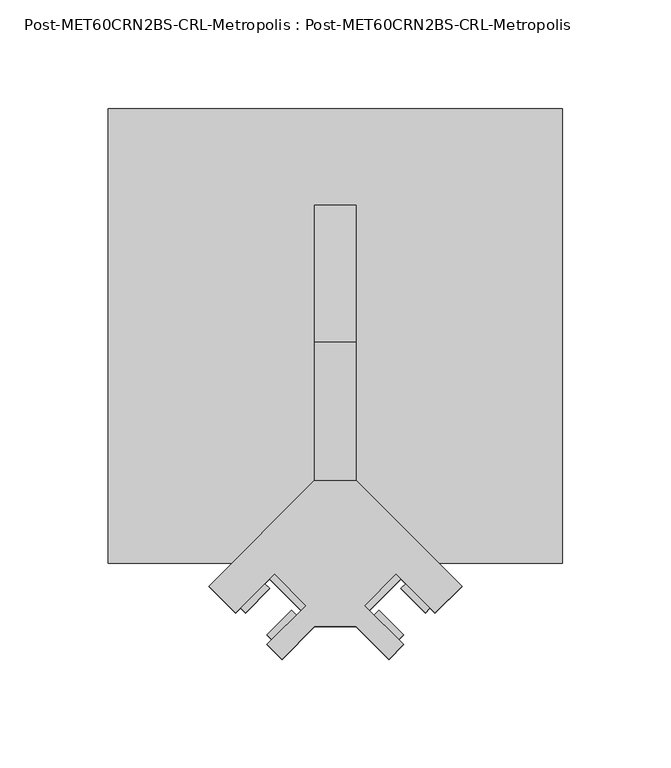
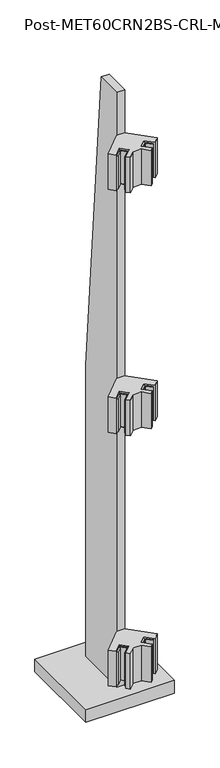
"""IFC4 building model written with IfcOpenShell, lengths in millimetres: proxy geometry, Post-MET60CRN2BS-CRL-Metropolis : Post-MET60CRN2BS-CRL-Metropolis."""

from ifc_helpers import new_model, si_unit, frame, origin, origin_with_axes, place, context, project, spatial, polyline, outline, extrude, source, transform, mapped, element, save


def post_met60crn2bs_crl_metropolis_post_met60crn2bs_crl_0f453052(model_context):
    return source(origin(), model_context, "Body", "SweptSolid", [
        extrude(outline(polyline([(31.4308964, -151.9874332), (24.6957043, -158.7226252), (9.525, -143.5519209), (-9.525, -143.5519209), (-24.6957043, -158.7226252), (-31.4308964, -151.9874332), (-13.4703842, -134.0269209), (-28.0633004, -119.4340047), (-46.0238126, -137.394517), (-58.3716648, -125.0466648), (-9.525, -76.2), (9.525, -76.2), (58.3716648, -125.0466648), (46.0238126, -137.394517), (28.0633004, -119.4340047), (13.4703842, -134.0269209), (31.4308964, -151.9874332)])), frame((0.0, 0.0, 1327.15), z_axis=(0.0, 0.0, 1.0), x_axis=(1.0, 0.0, 0.0)), (0.0, 0.0, 1.0), 88.9),
        extrude(outline(polyline([(-20.2055763, -136.2719849), (-17.9605122, -138.517049), (-29.1858324, -149.7423691), (-31.4308964, -147.4973051), (-20.2055763, -136.2719849)])), frame((0.0, 0.0, 1330.325), z_axis=(0.0, 0.0, 1.0), x_axis=(1.0, 0.0, 0.0)), (0.0, 0.0, 1.0), 82.55),
        extrude(outline(polyline([(-30.3083644, -126.1691968), (-41.5336846, -137.394517), (-43.7787486, -135.1494529), (-32.5534284, -123.9241328), (-30.3083644, -126.1691968)])), frame((0.0, 0.0, 1330.325), z_axis=(0.0, 0.0, 1.0), x_axis=(1.0, 0.0, 0.0)), (0.0, 0.0, 1.0), 82.55),
        extrude(outline(polyline([(-15.7154482, -136.2719849), (-30.3083644, -121.6790687), (-28.0633004, -119.4340047), (-13.4703842, -134.0269209), (-15.7154482, -136.2719849)])), frame((0.0, 0.0, 1330.325), z_axis=(0.0, 0.0, 1.0), x_axis=(1.0, 0.0, 0.0)), (0.0, 0.0, 1.0), 82.55),
        extrude(outline(polyline([(31.4308964, -147.4973051), (29.1858324, -149.7423691), (17.9605122, -138.517049), (20.2055763, -136.2719849), (31.4308964, -147.4973051)])), frame((0.0, 0.0, 1330.325), z_axis=(0.0, 0.0, 1.0), x_axis=(1.0, 0.0, 0.0)), (0.0, 0.0, 1.0), 82.55),
        extrude(outline(polyline([(30.3083644, -126.1691968), (32.5534284, -123.9241328), (43.7787486, -135.1494529), (41.5336846, -137.394517), (30.3083644, -126.1691968)])), frame((0.0, 0.0, 1330.325), z_axis=(0.0, 0.0, 1.0), x_axis=(1.0, 0.0, 0.0)), (0.0, 0.0, 1.0), 82.55),
        extrude(outline(polyline([(30.3083644, -121.6790687), (15.7154482, -136.2719849), (13.4703842, -134.0269209), (28.0633004, -119.4340047), (30.3083644, -121.6790687)])), frame((0.0, 0.0, 1330.325), z_axis=(0.0, 0.0, 1.0), x_axis=(1.0, 0.0, 0.0)), (0.0, 0.0, 1.0), 82.55),
        extrude(outline(polyline([(31.4308964, -151.9874332), (24.6957043, -158.7226252), (9.525, -143.5519209), (-9.525, -143.5519209), (-24.6957043, -158.7226252), (-31.4308964, -151.9874332), (-13.4703842, -134.0269209), (-28.0633004, -119.4340047), (-46.0238126, -137.394517), (-58.3716648, -125.0466648), (-9.525, -76.2), (9.525, -76.2), (58.3716648, -125.0466648), (46.0238126, -137.394517), (28.0633004, -119.4340047), (13.4703842, -134.0269209), (31.4308964, -151.9874332)])), frame((0.0, 0.0, 717.55), z_axis=(0.0, 0.0, 1.0), x_axis=(1.0, 0.0, 0.0)), (0.0, 0.0, 1.0), 88.9),
        extrude(outline(polyline([(-20.2055763, -136.2719849), (-17.9605122, -138.517049), (-29.1858324, -149.7423691), (-31.4308964, -147.4973051), (-20.2055763, -136.2719849)])), frame((0.0, 0.0, 720.725), z_axis=(0.0, 0.0, 1.0), x_axis=(1.0, 0.0, 0.0)), (0.0, 0.0, 1.0), 82.55),
        extrude(outline(polyline([(-30.3083644, -126.1691968), (-41.5336846, -137.394517), (-43.7787486, -135.1494529), (-32.5534284, -123.9241328), (-30.3083644, -126.1691968)])), frame((0.0, 0.0, 720.725), z_axis=(0.0, 0.0, 1.0), x_axis=(1.0, 0.0, 0.0)), (0.0, 0.0, 1.0), 82.55),
        extrude(outline(polyline([(-15.7154482, -136.2719849), (-30.3083644, -121.6790687), (-28.0633004, -119.4340047), (-13.4703842, -134.0269209), (-15.7154482, -136.2719849)])), frame((0.0, 0.0, 720.725), z_axis=(0.0, 0.0, 1.0), x_axis=(1.0, 0.0, 0.0)), (0.0, 0.0, 1.0), 82.55),
        extrude(outline(polyline([(31.4308964, -147.4973051), (29.1858324, -149.7423691), (17.9605122, -138.517049), (20.2055763, -136.2719849), (31.4308964, -147.4973051)])), frame((0.0, 0.0, 720.725), z_axis=(0.0, 0.0, 1.0), x_axis=(1.0, 0.0, 0.0)), (0.0, 0.0, 1.0), 82.55),
        extrude(outline(polyline([(30.3083644, -126.1691968), (32.5534284, -123.9241328), (43.7787486, -135.1494529), (41.5336846, -137.394517), (30.3083644, -126.1691968)])), frame((0.0, 0.0, 720.725), z_axis=(0.0, 0.0, 1.0), x_axis=(1.0, 0.0, 0.0)), (0.0, 0.0, 1.0), 82.55),
        extrude(outline(polyline([(30.3083644, -121.6790687), (15.7154482, -136.2719849), (13.4703842, -134.0269209), (28.0633004, -119.4340047), (30.3083644, -121.6790687)])), frame((0.0, 0.0, 720.725), z_axis=(0.0, 0.0, 1.0), x_axis=(1.0, 0.0, 0.0)), (0.0, 0.0, 1.0), 82.55),
        extrude(outline(polyline([(31.4308964, -151.9874332), (24.6957043, -158.7226252), (9.525, -143.5519209), (-9.525, -143.5519209), (-24.6957043, -158.7226252), (-31.4308964, -151.9874332), (-13.4703842, -134.0269209), (-28.0633004, -119.4340047), (-46.0238126, -137.394517), (-58.3716648, -125.0466648), (-9.525, -76.2), (9.525, -76.2), (58.3716648, -125.0466648), (46.0238126, -137.394517), (28.0633004, -119.4340047), (13.4703842, -134.0269209), (31.4308964, -151.9874332)])), frame((0.0, 0.0, 82.55), z_axis=(0.0, 0.0, 1.0), x_axis=(1.0, 0.0, 0.0)), (0.0, 0.0, 1.0), 88.9),
        extrude(outline(polyline([(-20.2055763, -136.2719849), (-17.9605122, -138.517049), (-29.1858324, -149.7423691), (-31.4308964, -147.4973051), (-20.2055763, -136.2719849)])), frame((0.0, 0.0, 85.725), z_axis=(0.0, 0.0, 1.0), x_axis=(1.0, 0.0, 0.0)), (0.0, 0.0, 1.0), 82.55),
        extrude(outline(polyline([(-30.3083644, -126.1691968), (-41.5336846, -137.394517), (-43.7787486, -135.1494529), (-32.5534284, -123.9241328), (-30.3083644, -126.1691968)])), frame((0.0, 0.0, 85.725), z_axis=(0.0, 0.0, 1.0), x_axis=(1.0, 0.0, 0.0)), (0.0, 0.0, 1.0), 82.55),
        extrude(outline(polyline([(-15.7154482, -136.2719849), (-30.3083644, -121.6790687), (-28.0633004, -119.4340047), (-13.4703842, -134.0269209), (-15.7154482, -136.2719849)])), frame((0.0, 0.0, 85.725), z_axis=(0.0, 0.0, 1.0), x_axis=(1.0, 0.0, 0.0)), (0.0, 0.0, 1.0), 82.55),
        extrude(outline(polyline([(31.4308964, -147.4973051), (29.1858324, -149.7423691), (17.9605122, -138.517049), (20.2055763, -136.2719849), (31.4308964, -147.4973051)])), frame((0.0, 0.0, 85.725), z_axis=(0.0, 0.0, 1.0), x_axis=(1.0, 0.0, 0.0)), (0.0, 0.0, 1.0), 82.55),
        extrude(outline(polyline([(30.3083644, -126.1691968), (32.5534284, -123.9241328), (43.7787486, -135.1494529), (41.5336846, -137.394517), (30.3083644, -126.1691968)])), frame((0.0, 0.0, 85.725), z_axis=(0.0, 0.0, 1.0), x_axis=(1.0, 0.0, 0.0)), (0.0, 0.0, 1.0), 82.55),
        extrude(outline(polyline([(30.3083644, -121.6790687), (15.7154482, -136.2719849), (13.4703842, -134.0269209), (28.0633004, -119.4340047), (30.3083644, -121.6790687)])), frame((0.0, 0.0, 85.725), z_axis=(0.0, 0.0, 1.0), x_axis=(1.0, 0.0, 0.0)), (0.0, 0.0, 1.0), 82.55),
        extrude(outline(polyline([(50.8, 762.0), (50.8, 0.0), (-76.2, 0.0), (-76.2, 1524.0), (-12.7, 1524.0), (50.8, 762.0)])), frame((-9.525, 0.0, 0.0), z_axis=(1.0, 0.0, 0.0), x_axis=(0.0, 1.0, 0.0)), (0.0, 0.0, 1.0), 19.05),
        extrude(outline(polyline([(104.775, 95.25), (104.775, -114.3), (-104.775, -114.3), (-104.775, 95.25), (104.775, 95.25)])), origin_with_axes(), (0.0, 0.0, 1.0), 31.75),
    ])


if __name__ == "__main__":
    model = new_model("IFC4")
    model_context = context("Model", 3, world=origin())
    ifc_project = project(units=[si_unit("LENGTHUNIT", "METRE", prefix="MILLI")], contexts=[model_context])
    site = spatial("IfcSite", under=ifc_project)
    building = spatial("IfcBuilding", under=site)
    placement = place(None, origin())
    post_met60crn2bs_crl_metropolis_post_met60crn2bs_crl_shape = post_met60crn2bs_crl_metropolis_post_met60crn2bs_crl_0f453052(model_context)
    element("IfcBuildingElementProxy", 1, Name="Post-MET60CRN2BS-CRL-Metropolis : Post-MET60CRN2BS-CRL-Metropolis", ObjectType="Post-MET60CRN2BS-CRL-Metropolis : Post-MET60CRN2BS-CRL-Metropolis", at=placement, inside=building, context=model_context, shape_type="MappedRepresentation", body=[
        mapped(post_met60crn2bs_crl_metropolis_post_met60crn2bs_crl_shape, transform((0.0, 0.0, 0.0), x_axis=(1.0, 0.0, 0.0), y_axis=(0.0, 1.0, 0.0), z_axis=(0.0, 0.0, 1.0))),
    ])
    save(model, "model.ifc")
